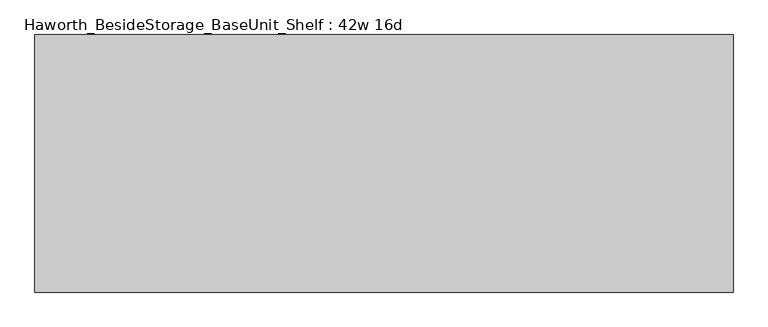
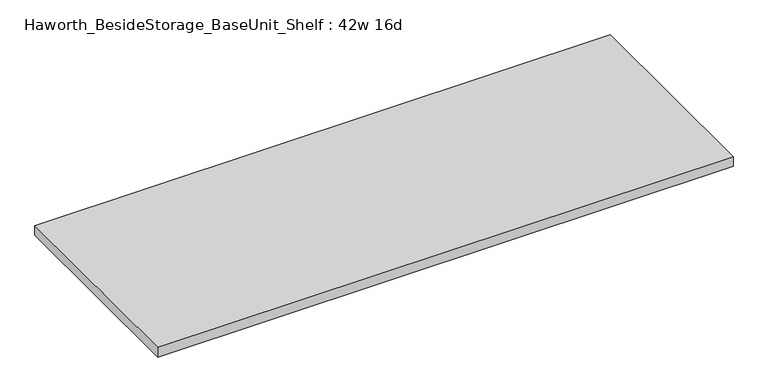
"""IFC4 building model written with IfcOpenShell, lengths in millimetres: furniture geometry, Haworth_BesideStorage_BaseUnit_Shelf : 42w 16d."""

import ifcopenshell
import ifcopenshell.guid

model = None  # the IFC model being written
_history = None  # IfcOwnerHistory: only IFC2X3 demands one
_inside = {}  # id of a spatial element -> (the spatial element, [elements in it])
_under = {}  # id of a project, library or spatial element -> (it, [spatial elements below it])
_declared = {}  # id of a project -> (the project, [libraries it declares])
_typed = {}  # id of a type object -> (the type object, [elements of that type])
_made_of = {}  # id of a material, layer set ... -> (it, [elements and type objects made of it])


def new_model(schema):
    """Start an empty IFC model of exactly this schema.

    Asked for "IFC4X3", IfcOpenShell would pick the latest addendum, in which some entities
    have other attributes; the version numbers below select the first issue.
    IFC2X3 requires an IfcOwnerHistory on every rooted entity: one is made here for all.
    """
    global model, _history
    if schema == "IFC4X3":
        model = ifcopenshell.file(schema_version=(4, 3, 0, 0))
    else:
        model = ifcopenshell.file(schema=schema)
    _inside.clear()
    _under.clear()
    _declared.clear()
    _typed.clear()
    _made_of.clear()
    _history = None
    if model.schema == "IFC2X3":
        org = make("IfcOrganization", Name="unknown")
        user = make(
            "IfcPersonAndOrganization",
            ThePerson=make("IfcPerson", FamilyName="unknown"),
            TheOrganization=org,
        )
        app = make(
            "IfcApplication",
            ApplicationDeveloper=org,
            Version="unknown",
            ApplicationFullName="unknown",
            ApplicationIdentifier="unknown",
        )
        _history = make(
            "IfcOwnerHistory",
            OwningUser=user,
            OwningApplication=app,
            ChangeAction="ADDED",
            CreationDate=0,
        )
    return model


def make(cls, **values):
    """One entity of the class cls with the attributes given. An attribute that is None is left unset."""
    return model.create_entity(
        cls, **{name: value for name, value in values.items() if value is not None}
    )


def rooted(cls, **values):
    """An entity with a GlobalId (a new one), such as an element, a storey or a relation."""
    return make(cls, GlobalId=ifcopenshell.guid.new(), OwnerHistory=_history, **values)


def si_unit(unit_type, name, prefix=None):
    """IfcSIUnit, for example si_unit("LENGTHUNIT", "METRE", prefix="MILLI")."""
    return make("IfcSIUnit", UnitType=unit_type, Prefix=prefix, Name=name)


def assignment(units):
    """IfcUnitAssignment: the units of a project."""
    return None if units is None else make("IfcUnitAssignment", Units=units)


def point(xyz):
    """IfcCartesianPoint."""
    return None if xyz is None else make("IfcCartesianPoint", Coordinates=xyz)


def direction(xyz):
    """IfcDirection."""
    return None if xyz is None else make("IfcDirection", DirectionRatios=xyz)


def frame(location, z_axis=None, x_axis=None):
    """IfcAxis2Placement3D, a coordinate frame: its origin and axes. An axis left out is left unset."""
    return make(
        "IfcAxis2Placement3D",
        Location=point(location),
        Axis=direction(z_axis),
        RefDirection=direction(x_axis),
    )


def origin():
    """The frame at (0, 0, 0) with its axes left unset."""
    return frame((0.0, 0.0, 0.0))


def place(relative_to, where):
    """IfcLocalPlacement: puts the frame where relative to a parent placement (None: the world)."""
    return make(
        "IfcLocalPlacement", PlacementRelTo=relative_to, RelativePlacement=where
    )


def context(
    kind, dimensions, precision=None, world=None, true_north=None, identifier=None
):
    """IfcGeometricRepresentationContext, for example the 3D "Model" context."""
    return make(
        "IfcGeometricRepresentationContext",
        ContextIdentifier=identifier,
        ContextType=kind,
        CoordinateSpaceDimension=dimensions,
        Precision=precision,
        WorldCoordinateSystem=world,
        TrueNorth=true_north,
    )


def project(units=None, contexts=None):
    """IfcProject with its units and contexts."""
    return rooted(
        "IfcProject",
        Name="project",
        RepresentationContexts=contexts,
        UnitsInContext=assignment(units),
    )


def spatial(cls, under=None, at=None, **own):
    """A site, building, storey or space (cls), placed at a placement, below another one or the project."""
    s = rooted(cls, ObjectPlacement=at, **own)
    if under is not None:
        _under.setdefault(under.id(), (under, []))[1].append(s)
    return s


def polyline(points):
    """IfcPolyline through the points."""
    return make("IfcPolyline", Points=[point(p) for p in points])


def outline(outer, holes=None, kind="AREA"):
    """IfcArbitraryClosedProfileDef: a profile drawn as a closed curve; with holes, ...WithVoids."""
    if holes is None:
        return make("IfcArbitraryClosedProfileDef", ProfileType=kind, OuterCurve=outer)
    return make(
        "IfcArbitraryProfileDefWithVoids",
        ProfileType=kind,
        OuterCurve=outer,
        InnerCurves=holes,
    )


def extrude(swept, where, along, depth):
    """IfcExtrudedAreaSolid: the profile swept, set in the frame where, extruded along a direction by depth."""
    return make(
        "IfcExtrudedAreaSolid",
        SweptArea=swept,
        Position=where,
        ExtrudedDirection=direction(along),
        Depth=depth,
    )


def shape(context_of_items, identifier, shape_type, items):
    """IfcShapeRepresentation: the items that make up one representation, for example the "Body"."""
    return make(
        "IfcShapeRepresentation",
        ContextOfItems=context_of_items,
        RepresentationIdentifier=identifier,
        RepresentationType=shape_type,
        Items=items,
    )


def source(mapping_origin, context_of_items, identifier, shape_type, items):
    """IfcRepresentationMap: a shape defined once, which mapped items show again and again."""
    return make(
        "IfcRepresentationMap",
        MappingOrigin=mapping_origin,
        MappedRepresentation=shape(context_of_items, identifier, shape_type, items),
    )


def transform(
    local_origin,
    x_axis=None,
    y_axis=None,
    z_axis=None,
    scale=None,
    scale2=None,
    scale3=None,
    uniform=True,
):
    """IfcCartesianTransformationOperator3D, or its non-uniform kind. x_axis, y_axis, z_axis: its Axis1, 2, 3."""
    if uniform:
        return make(
            "IfcCartesianTransformationOperator3D",
            Axis1=direction(x_axis),
            Axis2=direction(y_axis),
            LocalOrigin=point(local_origin),
            Scale=scale,
            Axis3=direction(z_axis),
        )
    return make(
        "IfcCartesianTransformationOperator3DnonUniform",
        Axis1=direction(x_axis),
        Axis2=direction(y_axis),
        LocalOrigin=point(local_origin),
        Scale=scale,
        Axis3=direction(z_axis),
        Scale2=scale2,
        Scale3=scale3,
    )


def mapped(mapping_source, mapping_target):
    """IfcMappedItem: shows the shape of a source again, moved by a transform."""
    return make(
        "IfcMappedItem", MappingSource=mapping_source, MappingTarget=mapping_target
    )


def made_of(thing, what):
    """Note that an element or type object is made of a material, layer set ...; save() writes the relation."""
    if what is not None:
        _made_of.setdefault(what.id(), (what, []))[1].append(thing)
    return thing


def element(
    cls,
    number,
    at=None,
    inside=None,
    cuts=None,
    type_object=None,
    material=None,
    context=None,
    identifier="Body",
    shape_type=None,
    held_by="IfcProductDefinitionShape",
    body=None,
    shapes=None,
    **own,
):
    """One element of the class cls, such as IfcWall. Its Tag is "e" and its number.

    at: its placement. inside: the storey or other place that contains it. cuts: it is an
    opening in that element (IfcRelVoidsElement). A single representation is given by context,
    identifier, shape_type and body (its items); several are given by shapes. held_by: the class
    of the entity that holds the representations. save() writes the other relations.
    """
    e = rooted(cls, Tag="e%d" % number, ObjectPlacement=at, **own)
    if body is not None:
        shapes = [shape(context, identifier, shape_type, body)]
    if shapes is not None:
        e.Representation = make(held_by, Representations=shapes)
    if inside is not None:
        _inside.setdefault(inside.id(), (inside, []))[1].append(e)
    if cuts is not None:
        rooted(
            "IfcRelVoidsElement", RelatingBuildingElement=cuts, RelatedOpeningElement=e
        )
    if type_object is not None:
        _typed.setdefault(type_object.id(), (type_object, []))[1].append(e)
    return made_of(e, material)


def aggregate(whole, parts):
    """IfcRelAggregates: a whole, such as a stair, and the parts it consists of."""
    return rooted("IfcRelAggregates", RelatingObject=whole, RelatedObjects=parts)


def save(model, path):
    """Write the relations noted so far, then the file.

    IfcRelAggregates (storeys below a building ...), IfcRelContainedInSpatialStructure (elements
    in a storey), IfcRelDefinesByType, IfcRelAssociatesMaterial and IfcRelDeclares: one each for
    every whole, place, type object, material and project.
    """
    for whole, parts in _under.values():
        aggregate(whole, parts)
    for where, things in _inside.values():
        rooted(
            "IfcRelContainedInSpatialStructure",
            RelatedElements=things,
            RelatingStructure=where,
        )
    for kind, things in _typed.values():
        rooted("IfcRelDefinesByType", RelatedObjects=things, RelatingType=kind)
    for what, things in _made_of.values():
        rooted("IfcRelAssociatesMaterial", RelatedObjects=things, RelatingMaterial=what)
    for by, libraries in _declared.values():
        rooted("IfcRelDeclares", RelatingContext=by, RelatedDefinitions=libraries)
    model.write(path)


def haworth_besidestorage_baseunit_shelf_42w_16d_1cb48e7b(model_context):
    return source(origin(), model_context, "Body", "SweptSolid", [
        extrude(outline(polyline([(533.4, 196.85), (533.4, -196.85), (-533.4, -196.85), (-533.4, 196.85), (533.4, 196.85)])), frame((0.0, 0.0, 277.8125), z_axis=(0.0, 0.0, 1.0), x_axis=(1.0, 0.0, 0.0)), (0.0, 0.0, 1.0), 19.05),
    ])


if __name__ == "__main__":
    model = new_model("IFC4")
    model_context = context("Model", 3, world=origin())
    ifc_project = project(units=[si_unit("LENGTHUNIT", "METRE", prefix="MILLI")], contexts=[model_context])
    site = spatial("IfcSite", under=ifc_project)
    building = spatial("IfcBuilding", under=site)
    placement = place(None, origin())
    haworth_besidestorage_baseunit_shelf_42w_16d_shape = haworth_besidestorage_baseunit_shelf_42w_16d_1cb48e7b(model_context)
    element("IfcFurniture", 1, ObjectType="Haworth_BesideStorage_BaseUnit_Shelf : 42w 16d", at=placement, inside=building, context=model_context, shape_type="MappedRepresentation", body=[
        mapped(haworth_besidestorage_baseunit_shelf_42w_16d_shape, transform((0.0, 0.0, 0.0), x_axis=(1.0, 0.0, 0.0), y_axis=(0.0, 1.0, 0.0), z_axis=(0.0, 0.0, 1.0))),
    ])
    save(model, "model.ifc")
